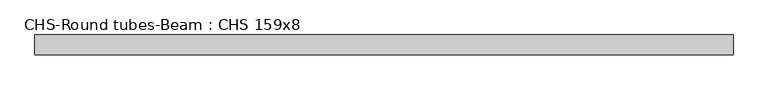
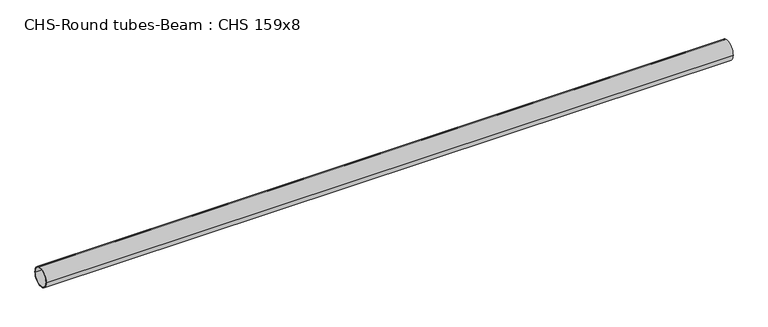
"""IFC4 building model written with IfcOpenShell, lengths in millimetres: beam geometry, CHS-Round tubes-Beam : CHS 159x8."""

from ifc_helpers import new_model, si_unit, point, frame, origin, origin_2d, place, context, project, spatial, circle_curve, trimmed, segment, composite_curve, outline, extrude, source, transform, mapped, element, save


def chs_round_tubes_beam_chs_159x8_38f5a0d7(model_context):
    return source(origin(), model_context, "Body", "SweptSolid", [
        extrude(outline(composite_curve([segment(trimmed(circle_curve(origin_2d(), 79.5), [point((79.5, 0.0))], [point((-79.5, 0.0))], False, "CARTESIAN"), True, "CONTINUOUS"), segment(trimmed(circle_curve(origin_2d(), 79.5), [point((-79.5, 0.0))], [point((79.5, 0.0))], False, "CARTESIAN"), True, "CONTINUOUS")], self_intersect=False), holes=[composite_curve([segment(trimmed(circle_curve(origin_2d(), 71.5), [point((71.5, 0.0))], [point((-71.5, 0.0))], True, "CARTESIAN"), True, "CONTINUOUS"), segment(trimmed(circle_curve(origin_2d(), 71.5), [point((-71.5, 0.0))], [point((71.5, 0.0))], True, "CARTESIAN"), True, "CONTINUOUS")], self_intersect=False)]), frame((-2810.0984077, 0.0, 0.0), z_axis=(1.0, 0.0, 0.0), x_axis=(0.0, 1.0, 0.0)), (0.0, 0.0, 1.0), 5615.0065813),
    ])


if __name__ == "__main__":
    model = new_model("IFC4")
    model_context = context("Model", 3, world=origin())
    ifc_project = project(units=[si_unit("LENGTHUNIT", "METRE", prefix="MILLI")], contexts=[model_context])
    site = spatial("IfcSite", under=ifc_project)
    building = spatial("IfcBuilding", under=site)
    placement = place(None, origin())
    chs_round_tubes_beam_chs_159x8_shape = chs_round_tubes_beam_chs_159x8_38f5a0d7(model_context)
    element("IfcBeam", 1, ObjectType="CHS-Round tubes-Beam : CHS 159x8", at=placement, inside=building, context=model_context, shape_type="MappedRepresentation", body=[
        mapped(chs_round_tubes_beam_chs_159x8_shape, transform((0.0, 0.0, 0.0), x_axis=(1.0, 0.0, 0.0), y_axis=(0.0, 1.0, 0.0), z_axis=(0.0, 0.0, 1.0))),
    ])
    save(model, "model.ifc")
